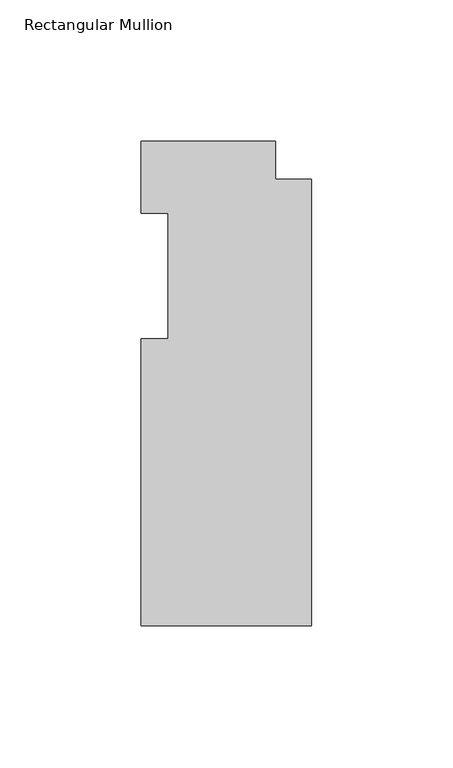
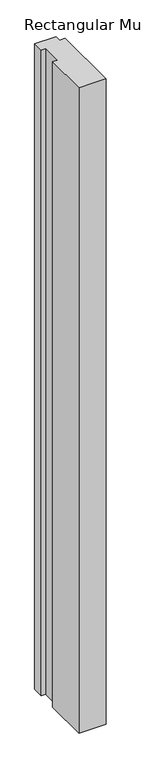
"""IFC4 building model written with IfcOpenShell, lengths in millimetres: member geometry, Rectangular Mullion."""

from ifc_helpers import new_model, si_unit, frame, origin, place, context, project, spatial, polyline, outline, extrude, source, transform, mapped, element, save


def rectangular_mullion_f977a73c(model_context):
    return source(origin(), model_context, "Body", "SweptSolid", [
        extrude(outline(polyline([(-60.325, -22.225), (-50.8, -22.225), (-50.8, 22.225), (-60.325, 22.225), (-60.325, 47.625), (-12.7, 47.625), (-12.7, 34.13125), (0.0, 34.13125), (0.0, -123.825), (-60.325, -123.825), (-60.325, -22.225)])), frame((0.0, 0.0, -1524.0), z_axis=(0.0, 0.0, 1.0), x_axis=(1.0, 0.0, 0.0)), (0.0, 0.0, 1.0), 1524.0),
    ])


if __name__ == "__main__":
    model = new_model("IFC4")
    model_context = context("Model", 3, world=origin())
    ifc_project = project(units=[si_unit("LENGTHUNIT", "METRE", prefix="MILLI")], contexts=[model_context])
    site = spatial("IfcSite", under=ifc_project)
    building = spatial("IfcBuilding", under=site)
    placement = place(None, origin())
    rectangular_mullion_shape = rectangular_mullion_f977a73c(model_context)
    element("IfcMember", 1, ObjectType="Rectangular Mullion", at=placement, inside=building, context=model_context, shape_type="MappedRepresentation", body=[
        mapped(rectangular_mullion_shape, transform((0.0, 0.0, 0.0), x_axis=(1.0, 0.0, 0.0), y_axis=(0.0, 1.0, 0.0), z_axis=(0.0, 0.0, 1.0))),
    ])
    save(model, "model.ifc")
